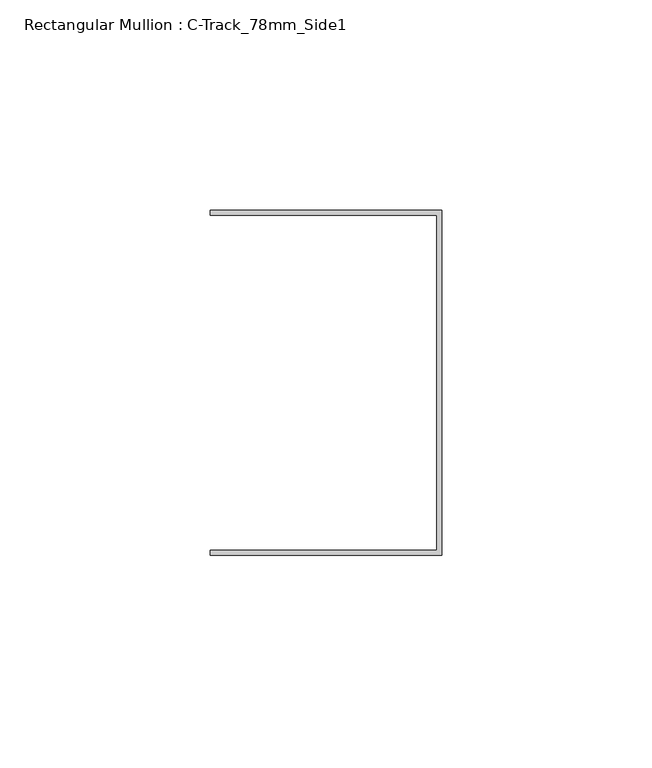
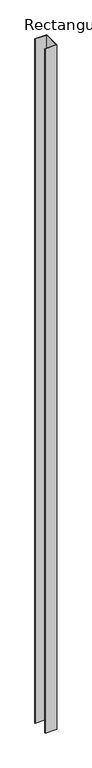
"""IFC4 building model written with IfcOpenShell, lengths in millimetres: member geometry, Rectangular Mullion : C-Track_78mm_Side1."""

import ifcopenshell
import ifcopenshell.guid

model = None  # the IFC model being written
_history = None  # IfcOwnerHistory: only IFC2X3 demands one
_inside = {}  # id of a spatial element -> (the spatial element, [elements in it])
_under = {}  # id of a project, library or spatial element -> (it, [spatial elements below it])
_declared = {}  # id of a project -> (the project, [libraries it declares])
_typed = {}  # id of a type object -> (the type object, [elements of that type])
_made_of = {}  # id of a material, layer set ... -> (it, [elements and type objects made of it])


def new_model(schema):
    """Start an empty IFC model of exactly this schema.

    Asked for "IFC4X3", IfcOpenShell would pick the latest addendum, in which some entities
    have other attributes; the version numbers below select the first issue.
    IFC2X3 requires an IfcOwnerHistory on every rooted entity: one is made here for all.
    """
    global model, _history
    if schema == "IFC4X3":
        model = ifcopenshell.file(schema_version=(4, 3, 0, 0))
    else:
        model = ifcopenshell.file(schema=schema)
    _inside.clear()
    _under.clear()
    _declared.clear()
    _typed.clear()
    _made_of.clear()
    _history = None
    if model.schema == "IFC2X3":
        org = make("IfcOrganization", Name="unknown")
        user = make(
            "IfcPersonAndOrganization",
            ThePerson=make("IfcPerson", FamilyName="unknown"),
            TheOrganization=org,
        )
        app = make(
            "IfcApplication",
            ApplicationDeveloper=org,
            Version="unknown",
            ApplicationFullName="unknown",
            ApplicationIdentifier="unknown",
        )
        _history = make(
            "IfcOwnerHistory",
            OwningUser=user,
            OwningApplication=app,
            ChangeAction="ADDED",
            CreationDate=0,
        )
    return model


def make(cls, **values):
    """One entity of the class cls with the attributes given. An attribute that is None is left unset."""
    return model.create_entity(
        cls, **{name: value for name, value in values.items() if value is not None}
    )


def rooted(cls, **values):
    """An entity with a GlobalId (a new one), such as an element, a storey or a relation."""
    return make(cls, GlobalId=ifcopenshell.guid.new(), OwnerHistory=_history, **values)


def si_unit(unit_type, name, prefix=None):
    """IfcSIUnit, for example si_unit("LENGTHUNIT", "METRE", prefix="MILLI")."""
    return make("IfcSIUnit", UnitType=unit_type, Prefix=prefix, Name=name)


def assignment(units):
    """IfcUnitAssignment: the units of a project."""
    return None if units is None else make("IfcUnitAssignment", Units=units)


def point(xyz):
    """IfcCartesianPoint."""
    return None if xyz is None else make("IfcCartesianPoint", Coordinates=xyz)


def direction(xyz):
    """IfcDirection."""
    return None if xyz is None else make("IfcDirection", DirectionRatios=xyz)


def frame(location, z_axis=None, x_axis=None):
    """IfcAxis2Placement3D, a coordinate frame: its origin and axes. An axis left out is left unset."""
    return make(
        "IfcAxis2Placement3D",
        Location=point(location),
        Axis=direction(z_axis),
        RefDirection=direction(x_axis),
    )


def origin():
    """The frame at (0, 0, 0) with its axes left unset."""
    return frame((0.0, 0.0, 0.0))


def place(relative_to, where):
    """IfcLocalPlacement: puts the frame where relative to a parent placement (None: the world)."""
    return make(
        "IfcLocalPlacement", PlacementRelTo=relative_to, RelativePlacement=where
    )


def context(
    kind, dimensions, precision=None, world=None, true_north=None, identifier=None
):
    """IfcGeometricRepresentationContext, for example the 3D "Model" context."""
    return make(
        "IfcGeometricRepresentationContext",
        ContextIdentifier=identifier,
        ContextType=kind,
        CoordinateSpaceDimension=dimensions,
        Precision=precision,
        WorldCoordinateSystem=world,
        TrueNorth=true_north,
    )


def project(units=None, contexts=None):
    """IfcProject with its units and contexts."""
    return rooted(
        "IfcProject",
        Name="project",
        RepresentationContexts=contexts,
        UnitsInContext=assignment(units),
    )


def spatial(cls, under=None, at=None, **own):
    """A site, building, storey or space (cls), placed at a placement, below another one or the project."""
    s = rooted(cls, ObjectPlacement=at, **own)
    if under is not None:
        _under.setdefault(under.id(), (under, []))[1].append(s)
    return s


def polyline(points):
    """IfcPolyline through the points."""
    return make("IfcPolyline", Points=[point(p) for p in points])


def outline(outer, holes=None, kind="AREA"):
    """IfcArbitraryClosedProfileDef: a profile drawn as a closed curve; with holes, ...WithVoids."""
    if holes is None:
        return make("IfcArbitraryClosedProfileDef", ProfileType=kind, OuterCurve=outer)
    return make(
        "IfcArbitraryProfileDefWithVoids",
        ProfileType=kind,
        OuterCurve=outer,
        InnerCurves=holes,
    )


def extrude(swept, where, along, depth):
    """IfcExtrudedAreaSolid: the profile swept, set in the frame where, extruded along a direction by depth."""
    return make(
        "IfcExtrudedAreaSolid",
        SweptArea=swept,
        Position=where,
        ExtrudedDirection=direction(along),
        Depth=depth,
    )


def shape(context_of_items, identifier, shape_type, items):
    """IfcShapeRepresentation: the items that make up one representation, for example the "Body"."""
    return make(
        "IfcShapeRepresentation",
        ContextOfItems=context_of_items,
        RepresentationIdentifier=identifier,
        RepresentationType=shape_type,
        Items=items,
    )


def source(mapping_origin, context_of_items, identifier, shape_type, items):
    """IfcRepresentationMap: a shape defined once, which mapped items show again and again."""
    return make(
        "IfcRepresentationMap",
        MappingOrigin=mapping_origin,
        MappedRepresentation=shape(context_of_items, identifier, shape_type, items),
    )


def transform(
    local_origin,
    x_axis=None,
    y_axis=None,
    z_axis=None,
    scale=None,
    scale2=None,
    scale3=None,
    uniform=True,
):
    """IfcCartesianTransformationOperator3D, or its non-uniform kind. x_axis, y_axis, z_axis: its Axis1, 2, 3."""
    if uniform:
        return make(
            "IfcCartesianTransformationOperator3D",
            Axis1=direction(x_axis),
            Axis2=direction(y_axis),
            LocalOrigin=point(local_origin),
            Scale=scale,
            Axis3=direction(z_axis),
        )
    return make(
        "IfcCartesianTransformationOperator3DnonUniform",
        Axis1=direction(x_axis),
        Axis2=direction(y_axis),
        LocalOrigin=point(local_origin),
        Scale=scale,
        Axis3=direction(z_axis),
        Scale2=scale2,
        Scale3=scale3,
    )


def mapped(mapping_source, mapping_target):
    """IfcMappedItem: shows the shape of a source again, moved by a transform."""
    return make(
        "IfcMappedItem", MappingSource=mapping_source, MappingTarget=mapping_target
    )


def made_of(thing, what):
    """Note that an element or type object is made of a material, layer set ...; save() writes the relation."""
    if what is not None:
        _made_of.setdefault(what.id(), (what, []))[1].append(thing)
    return thing


def element(
    cls,
    number,
    at=None,
    inside=None,
    cuts=None,
    type_object=None,
    material=None,
    context=None,
    identifier="Body",
    shape_type=None,
    held_by="IfcProductDefinitionShape",
    body=None,
    shapes=None,
    **own,
):
    """One element of the class cls, such as IfcWall. Its Tag is "e" and its number.

    at: its placement. inside: the storey or other place that contains it. cuts: it is an
    opening in that element (IfcRelVoidsElement). A single representation is given by context,
    identifier, shape_type and body (its items); several are given by shapes. held_by: the class
    of the entity that holds the representations. save() writes the other relations.
    """
    e = rooted(cls, Tag="e%d" % number, ObjectPlacement=at, **own)
    if body is not None:
        shapes = [shape(context, identifier, shape_type, body)]
    if shapes is not None:
        e.Representation = make(held_by, Representations=shapes)
    if inside is not None:
        _inside.setdefault(inside.id(), (inside, []))[1].append(e)
    if cuts is not None:
        rooted(
            "IfcRelVoidsElement", RelatingBuildingElement=cuts, RelatedOpeningElement=e
        )
    if type_object is not None:
        _typed.setdefault(type_object.id(), (type_object, []))[1].append(e)
    return made_of(e, material)


def aggregate(whole, parts):
    """IfcRelAggregates: a whole, such as a stair, and the parts it consists of."""
    return rooted("IfcRelAggregates", RelatingObject=whole, RelatedObjects=parts)


def save(model, path):
    """Write the relations noted so far, then the file.

    IfcRelAggregates (storeys below a building ...), IfcRelContainedInSpatialStructure (elements
    in a storey), IfcRelDefinesByType, IfcRelAssociatesMaterial and IfcRelDeclares: one each for
    every whole, place, type object, material and project.
    """
    for whole, parts in _under.values():
        aggregate(whole, parts)
    for where, things in _inside.values():
        rooted(
            "IfcRelContainedInSpatialStructure",
            RelatedElements=things,
            RelatingStructure=where,
        )
    for kind, things in _typed.values():
        rooted("IfcRelDefinesByType", RelatedObjects=things, RelatingType=kind)
    for what, things in _made_of.values():
        rooted("IfcRelAssociatesMaterial", RelatedObjects=things, RelatingMaterial=what)
    for by, libraries in _declared.values():
        rooted("IfcRelDeclares", RelatingContext=by, RelatedDefinitions=libraries)
    model.write(path)


def rectangular_mullion_c_track_78mm_side1_e43c66ac(model_context):
    return source(origin(), model_context, "Body", "SweptSolid", [
        extrude(outline(polyline([(-1.15, 39.85), (-55.0, 39.85), (-55.0, 41.0), (0.0, 41.0), (0.0, -41.0), (-55.0, -41.0), (-55.0, -39.85), (-1.15, -39.85), (-1.15, 39.85)])), frame((0.0, 0.0, -3390.0), z_axis=(0.0, 0.0, 1.0), x_axis=(1.0, 0.0, 0.0)), (0.0, 0.0, 1.0), 3390.0),
    ])


if __name__ == "__main__":
    model = new_model("IFC4")
    model_context = context("Model", 3, world=origin())
    ifc_project = project(units=[si_unit("LENGTHUNIT", "METRE", prefix="MILLI")], contexts=[model_context])
    site = spatial("IfcSite", under=ifc_project)
    building = spatial("IfcBuilding", under=site)
    placement = place(None, origin())
    rectangular_mullion_c_track_78mm_side1_shape = rectangular_mullion_c_track_78mm_side1_e43c66ac(model_context)
    element("IfcMember", 1, ObjectType="Rectangular Mullion : C-Track_78mm_Side1", at=placement, inside=building, context=model_context, shape_type="MappedRepresentation", body=[
        mapped(rectangular_mullion_c_track_78mm_side1_shape, transform((0.0, 0.0, 0.0), x_axis=(1.0, 0.0, 0.0), y_axis=(0.0, 1.0, 0.0), z_axis=(0.0, 0.0, 1.0))),
    ])
    save(model, "model.ifc")
